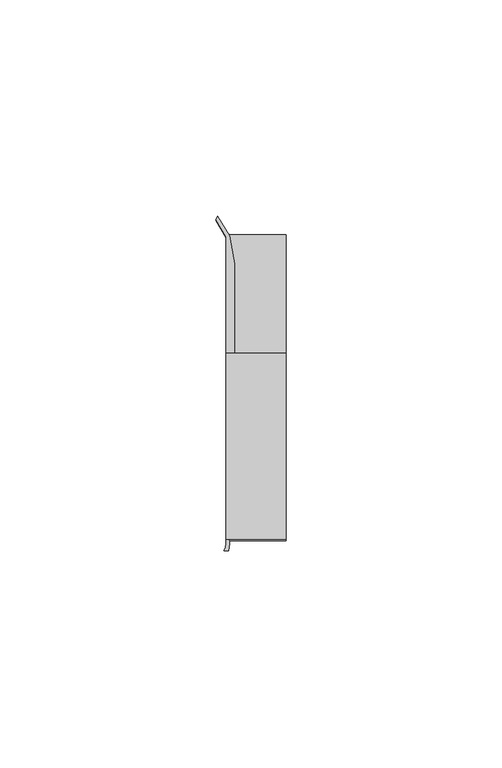
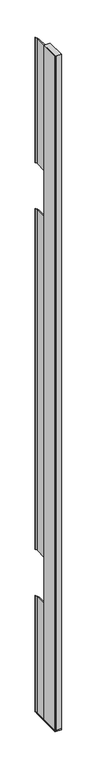
"""IFC4 building model written with IfcOpenShell, lengths in millimetres: furniture geometry."""

from ifc_helpers import new_model, si_unit, frame, origin, place, context, project, spatial, polyline, circle_curve, outline, extrude, source, transform, mapped, element, save
from ifc_brep_helpers import plane_surface, cylinder_surface, revolved_surface, advanced_brep


def furniture_90a75e04(model_context):
    return source(origin(), model_context, "Body", "SolidModel", [
        extrude(outline(polyline([(31.9660873, 18.9594777), (31.9660873, -24.0995273), (18.0754623, -24.0995273), (18.0754623, 18.9594777), (31.9660873, 18.9594777)])), frame((0.0, 0.0, 513.1992824), z_axis=(0.0, 0.0, 1.0), x_axis=(1.0, 0.0, 0.0)), (0.0, 0.0, 1.0), 1588.6507176),
        extrude(outline(polyline([(18.0754623, -24.0995273), (18.0754623, 46.6824219), (31.9660873, 46.6824219), (31.9660873, -24.0995273), (18.0754623, -24.0995273)])), frame((0.0, 0.0, 510.667), z_axis=(0.0, 0.0, 1.0), x_axis=(1.0, 0.0, 0.0)), (0.0, 0.0, 1.0), 2.5322824),
        advanced_brep(
        [(15.7452137, 49.8958113, 2101.85), (18.0754623, 45.8886719, 2101.85), (18.0754623, -24.9776388, 2101.85), (17.6611556, -26.683687, 2101.85), (18.6374949, -26.6798903, 2101.85), (18.9075389, -25.0466572, 2101.85), (18.7989737, -24.0995273, 2101.85), (31.2224462, -24.0995273, 2101.85), (31.9212358, -23.2998418, 2101.85), (18.8191063, -23.2998418, 2101.85), (18.8191063, 18.9594777, 2101.85), (20.0632119, 18.9594777, 2101.85), (20.0632119, 39.6814262, 2101.85), (18.9314847, 46.0995711, 2101.85), (16.1635657, 50.6802202, 2101.85), (15.7452137, 49.8958113, 513.1992824), (16.1635657, 50.6802202, 513.1992824), (18.9314847, 46.0995711, 513.1992824), (20.0632119, 39.6814262, 513.1992824), (20.0632119, 18.9594777, 513.1992824), (18.8191063, 18.9594777, 513.1992824), (18.8191063, -23.2998418, 513.1992824), (31.9212358, -23.2998418, 513.1992824), (31.2224462, -24.0995273, 513.1992824), (18.7989737, -24.0995273, 513.1992824), (18.9075389, -25.0466572, 513.1992824), (18.6374949, -26.6798903, 513.1992824), (17.6611556, -26.683687, 513.1992824), (18.0754623, -24.9776388, 513.1992824), (18.0754623, 45.8886719, 513.1992824), (15.7452137, 49.8958113, 1807.0068), (18.0754623, 45.8886719, 1807.0068), (18.0754623, 45.8886719, 786.96566), (15.7452137, 49.8958113, 786.96566), (15.7452137, 49.8958113, 1698.16526), (15.7452137, 49.8958113, 895.7818), (18.0754623, 45.8886719, 895.7818), (18.0754623, 45.8886719, 1698.16526), (18.0754623, 14.1339032, 1807.0068), (18.0754623, 14.1339032, 1698.16526), (18.0754623, 14.1339032, 895.7818), (18.0754623, 14.1339032, 786.96566), (18.8191063, 18.9594777, 786.96566), (18.8191063, 14.1339032, 786.96566), (18.8191063, 14.1339032, 895.7818), (18.8191063, 18.9594777, 895.7818), (18.8191063, 18.9594777, 1698.16526), (18.8191063, 14.1339032, 1698.16526), (18.8191063, 14.1339032, 1807.0068), (18.8191063, 18.9594777, 1807.0068), (18.9314847, 46.0995711, 1807.0068), (16.1635657, 50.6802202, 1807.0068), (16.1635657, 50.6802202, 786.96566), (18.9314847, 46.0995711, 786.96566), (18.9314847, 46.0995711, 1698.16526), (18.9314847, 46.0995711, 895.7818), (16.1635657, 50.6802202, 895.7818), (16.1635657, 50.6802202, 1698.16526), (20.0632119, 39.6814262, 895.7818), (20.0632119, 18.9594777, 895.7818), (20.0632119, 18.9594777, 786.96566), (20.0632119, 39.6814262, 786.96566), (20.0632119, 39.6814262, 1807.0068), (20.0632119, 18.9594777, 1807.0068), (20.0632119, 18.9594777, 1698.16526), (20.0632119, 39.6814262, 1698.16526)],
        [
            (0, 1),
            (1, 2),
            (2, 3, circle_curve(frame((12.0703756, -24.4226588, 2101.85), z_axis=(0.0, 0.0, -1.0), x_axis=(1.0, 0.0, 0.0)), 6.0306773)),
            (3, 4),
            (4, 5, circle_curve(frame((12.1306413, -24.765085, 2101.85), z_axis=(0.0, 0.0, 1.0), x_axis=(1.0, 0.0, 0.0)), 6.7827446)),
            (5, 6, circle_curve(frame((14.8541445, -25.0314921, 2101.85), z_axis=(0.0, 0.0, 1.0), x_axis=(1.0, 0.0, 0.0)), 4.0534227)),
            (6, 7),
            (7, 8),
            (8, 9),
            (9, 10),
            (10, 11),
            (11, 12),
            (12, 13),
            (13, 14),
            (14, 0),
            (15, 16),
            (16, 17),
            (17, 18),
            (18, 19),
            (19, 20),
            (20, 21),
            (21, 22),
            (22, 23),
            (23, 24),
            (24, 25, circle_curve(frame((14.8541445, -25.0314921, 513.1992824), z_axis=(0.0, 0.0, -1.0), x_axis=(1.0, 0.0, 0.0)), 4.0534227)),
            (25, 26, circle_curve(frame((12.1306413, -24.765085, 513.1992824), z_axis=(0.0, 0.0, -1.0), x_axis=(1.0, 0.0, 0.0)), 6.7827446)),
            (26, 27),
            (27, 28, circle_curve(frame((12.0703756, -24.4226588, 513.1992824), z_axis=(0.0, 0.0, 1.0), x_axis=(1.0, 0.0, 0.0)), 6.0306773)),
            (28, 29),
            (29, 15),
            (0, 30),
            (30, 31),
            (31, 1),
            (29, 32),
            (32, 33),
            (33, 15),
            (34, 35),
            (35, 36),
            (36, 37),
            (37, 34),
            (31, 38),
            (38, 39),
            (39, 37),
            (36, 40),
            (40, 41),
            (41, 32),
            (28, 2),
            (9, 21),
            (20, 42),
            (42, 43),
            (43, 44),
            (44, 45),
            (45, 46),
            (46, 47),
            (47, 48),
            (48, 49),
            (49, 10),
            (13, 50),
            (50, 51),
            (51, 14),
            (16, 52),
            (52, 53),
            (53, 17),
            (54, 55),
            (55, 56),
            (56, 57),
            (57, 54),
            (51, 30),
            (33, 52),
            (34, 57),
            (56, 35),
            (44, 40),
            (55, 58),
            (58, 59),
            (59, 45),
            (41, 43),
            (42, 60),
            (60, 61),
            (61, 53),
            (48, 38),
            (50, 62),
            (62, 63),
            (63, 49),
            (39, 47),
            (46, 64),
            (64, 65),
            (65, 54),
            (27, 3),
            (26, 4),
            (25, 5),
            (24, 6),
            (23, 7),
            (22, 8),
            (63, 11),
            (19, 60),
            (59, 64),
            (62, 12),
            (18, 61),
            (58, 65),
        ],
        [
            plane_surface(frame((15.7452137, 49.8958113, 2101.85), z_axis=(0.0, 0.0, 1.0), x_axis=(0.5027037003353042, -0.8644587842512752, 0.0))),
            plane_surface(frame((15.7452137, 49.8958113, 513.1992824), z_axis=(0.0, 0.0, -1.0), x_axis=(-0.5027037003353042, 0.8644587842512752, 0.0))),
            plane_surface(frame((15.7452137, 49.8958113, 2101.85), z_axis=(-0.8644587842512752, -0.5027037003353042, 0.0), x_axis=(0.0, 0.0, -1.0))),
            plane_surface(frame((18.0754623, 45.8886719, 2101.85), z_axis=(-1.0, 0.0, 0.0), x_axis=(0.0, 0.0, -1.0))),
            plane_surface(frame((18.8191063, -23.2998418, 2101.85), z_axis=(1.0, 0.0, 0.0), x_axis=(0.0, 0.0, -1.0))),
            plane_surface(frame((18.9314847, 46.0995711, 2101.85), z_axis=(0.8558788679836208, 0.5171763367934346, 0.0), x_axis=(0.0, 0.0, -1.0))),
            plane_surface(frame((16.1635657, 50.6802202, 2101.85), z_axis=(-0.8823526583258361, 0.4705887656386736, 0.0), x_axis=(0.0, 0.0, -1.0))),
            plane_surface(frame((15.7452137, 14.1339032, 895.7818), z_axis=(0.0, 0.0, -1.0), x_axis=(1.0, 0.0, 0.0))),
            plane_surface(frame((15.7452137, 60.5397032, 786.96566), z_axis=(0.0, 0.0, 1.0), x_axis=(1.0, 0.0, 0.0))),
            plane_surface(frame((15.7452137, 14.1339032, 786.96566), z_axis=(0.0, 1.0, 0.0), x_axis=(1.0, 0.0, 0.0))),
            plane_surface(frame((15.7452137, 14.1339032, 1807.0068), z_axis=(0.0, 0.0, -1.0), x_axis=(1.0, 0.0, 0.0))),
            plane_surface(frame((15.7452137, 60.5397032, 1698.16526), z_axis=(0.0, 0.0, 1.0), x_axis=(1.0, 0.0, 0.0))),
            plane_surface(frame((15.7452137, 14.1339032, 1698.16526), z_axis=(0.0, 1.0, 0.0), x_axis=(1.0, 0.0, 0.0))),
            revolved_surface(polyline([(18.1010529, -24.4226588, 513.1992824), (18.1010529, -24.4226588, 2101.85)]), (12.0703756, -24.4226588, 513.1992824), (0.0, 0.0, -1.0)),
            plane_surface(frame((17.6611556, -26.683687, 2101.85), z_axis=(0.003888643788677786, -0.9999924391961595, 0.0), x_axis=(0.0, 0.0, -1.0))),
            cylinder_surface(frame((12.1306413, -24.765085, 513.1992824), z_axis=(0.0, 0.0, 1.0), x_axis=(1.0, 0.0, 0.0)), 6.7827446),
            cylinder_surface(frame((14.8541445, -25.0314921, 513.1992824), z_axis=(0.0, 0.0, 1.0), x_axis=(1.0, 0.0, 0.0)), 4.0534227),
            plane_surface(frame((18.7989737, -24.0995273, 2101.85), z_axis=(0.0, -1.0, 0.0), x_axis=(0.0, 0.0, -1.0))),
            plane_surface(frame((31.2224462, -24.0995273, 2101.85), z_axis=(0.7530129298179405, -0.6580057199804583, 0.0), x_axis=(0.0, 0.0, -1.0))),
            plane_surface(frame((31.9212358, -23.2998418, 2101.85), z_axis=(0.0, 1.0, 0.0), x_axis=(0.0, 0.0, -1.0))),
            plane_surface(frame((18.8191063, 18.9594777, 2101.85), z_axis=(0.0, -1.0, 0.0), x_axis=(0.0, 0.0, -1.0))),
            plane_surface(frame((20.0632119, 18.9594777, 2101.85), z_axis=(1.0, 0.0, 0.0), x_axis=(0.0, 0.0, -1.0))),
            plane_surface(frame((20.0632119, 39.6814262, 2101.85), z_axis=(0.984806831746034, 0.17365340234599153, 0.0), x_axis=(0.0, 0.0, -1.0))),
        ],
        [
            (0, [[1, 2, 3, 4, 5, 6, 7, 8, 9, 10, 11, 12, 13, 14, 15]]),
            (1, [[16, 17, 18, 19, 20, 21, 22, 23, 24, 25, 26, 27, 28, 29, 30]]),
            (2, [[-1, 31, 32, 33]]),
            (2, [[-30, 34, 35, 36]]),
            (2, [[37, 38, 39, 40]]),
            (3, [[-2, -33, 41, 42, 43, -39, 44, 45, 46, -34, -29, 47]]),
            (4, [[-10, 48, -21, 49, 50, 51, 52, 53, 54, 55, 56, 57]]),
            (5, [[-14, 58, 59, 60]]),
            (5, [[-17, 61, 62, 63]]),
            (5, [[64, 65, 66, 67]]),
            (6, [[-15, -60, 68, -31]]),
            (6, [[-16, -36, 69, -61]]),
            (6, [[-37, 70, -66, 71]]),
            (7, [[72, -44, -38, -71, -65, 73, 74, 75, -52]]),
            (8, [[76, -50, 77, 78, 79, -62, -69, -35, -46]]),
            (9, [[-72, -51, -76, -45]]),
            (10, [[80, -41, -32, -68, -59, 81, 82, 83, -56]]),
            (11, [[84, -54, 85, 86, 87, -67, -70, -40, -43]]),
            (12, [[-80, -55, -84, -42]]),
            (13, [[-3, -47, -28, 88]]),
            (14, [[-4, -88, -27, 89]]),
            (15, [[-5, -89, -26, 90]]),
            (16, [[-6, -90, -25, 91]]),
            (17, [[-7, -91, -24, 92]]),
            (18, [[-8, -92, -23, 93]]),
            (19, [[-9, -93, -22, -48]]),
            (20, [[-11, -57, -83, 94]]),
            (20, [[-20, 95, -77, -49]]),
            (20, [[-53, -75, 96, -85]]),
            (21, [[-12, -94, -82, 97]]),
            (21, [[-19, 98, -78, -95]]),
            (21, [[-96, -74, 99, -86]]),
            (22, [[-13, -97, -81, -58]]),
            (22, [[-18, -63, -79, -98]]),
            (22, [[-64, -87, -99, -73]]),
        ],
    ),
    ])


if __name__ == "__main__":
    model = new_model("IFC4")
    model_context = context("Model", 3, world=origin())
    ifc_project = project(units=[si_unit("LENGTHUNIT", "METRE", prefix="MILLI")], contexts=[model_context])
    site = spatial("IfcSite", under=ifc_project)
    building = spatial("IfcBuilding", under=site)
    placement = place(None, origin())
    furniture_shape = furniture_90a75e04(model_context)
    element("IfcFurniture", 1, at=placement, inside=building, context=model_context, shape_type="MappedRepresentation", body=[
        mapped(furniture_shape, transform((0.0, 0.0, 0.0), x_axis=(1.0, 0.0, 0.0), y_axis=(0.0, 1.0, 0.0), z_axis=(0.0, 0.0, 1.0))),
    ])
    save(model, "model.ifc")
